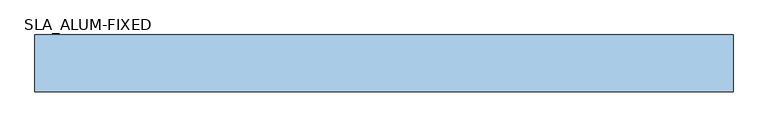
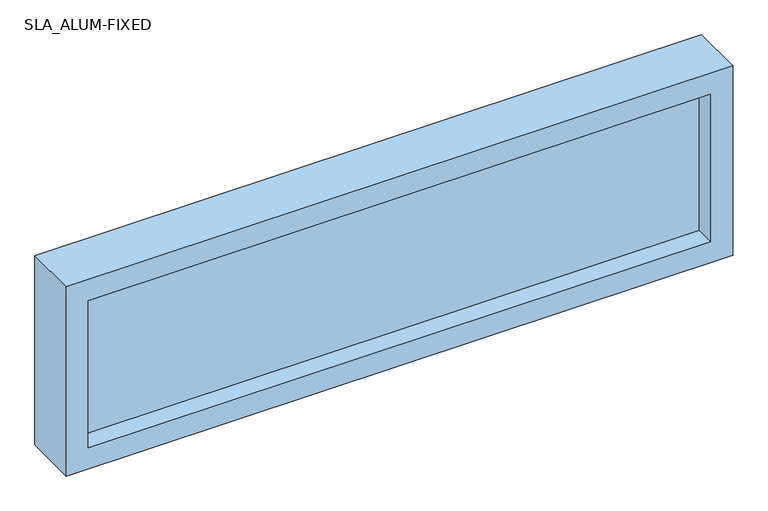
"""IFC4 building model written with IfcOpenShell, lengths in millimetres: window geometry, SLA_ALUM-FIXED."""

from ifc_helpers import new_model, si_unit, frame, origin, place, context, project, spatial, polyline, outline, extrude, source, transform, mapped, element, save


def sla_alum_fixed_af01b952(model_context):
    return source(origin(), model_context, "Body", "SweptSolid", [
        extrude(outline(polyline([(-1320.8, -109.1075246), (-1320.8, -83.7075246), (101.6, -83.7075246), (101.6, -109.1075246), (-1320.8, -109.1075246)])), frame((0.0, 0.0, 2794.0), z_axis=(0.0, 0.0, 1.0), x_axis=(1.0, 0.0, 0.0)), (0.0, 0.0, 1.0), 355.6),
        extrude(outline(polyline([(3200.4, -1371.6), (2743.2, -1371.6), (2743.2, 152.4), (3200.4, 152.4), (3200.4, -1371.6)]), holes=[polyline([(3149.6, 101.6), (2794.0, 101.6), (2794.0, -1320.8), (3149.6, -1320.8), (3149.6, 101.6)])]), frame((0.0, -153.5575246, 0.0), z_axis=(0.0, 1.0, 0.0), x_axis=(0.0, 0.0, 1.0)), (0.0, 0.0, 1.0), 123.825),
    ])


if __name__ == "__main__":
    model = new_model("IFC4")
    model_context = context("Model", 3, world=origin())
    ifc_project = project(units=[si_unit("LENGTHUNIT", "METRE", prefix="MILLI")], contexts=[model_context])
    site = spatial("IfcSite", under=ifc_project)
    building = spatial("IfcBuilding", under=site)
    placement = place(None, origin())
    sla_alum_fixed_shape = sla_alum_fixed_af01b952(model_context)
    element("IfcWindow", 1, ObjectType="SLA_ALUM-FIXED", at=placement, inside=building, context=model_context, shape_type="MappedRepresentation", body=[
        mapped(sla_alum_fixed_shape, transform((0.0, 0.0, 0.0), x_axis=(1.0, 0.0, 0.0), y_axis=(0.0, 1.0, 0.0), z_axis=(0.0, 0.0, 1.0))),
    ])
    save(model, "model.ifc")
